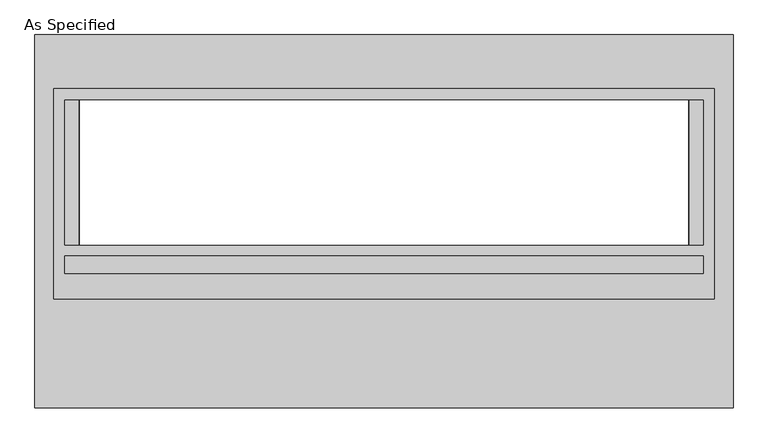
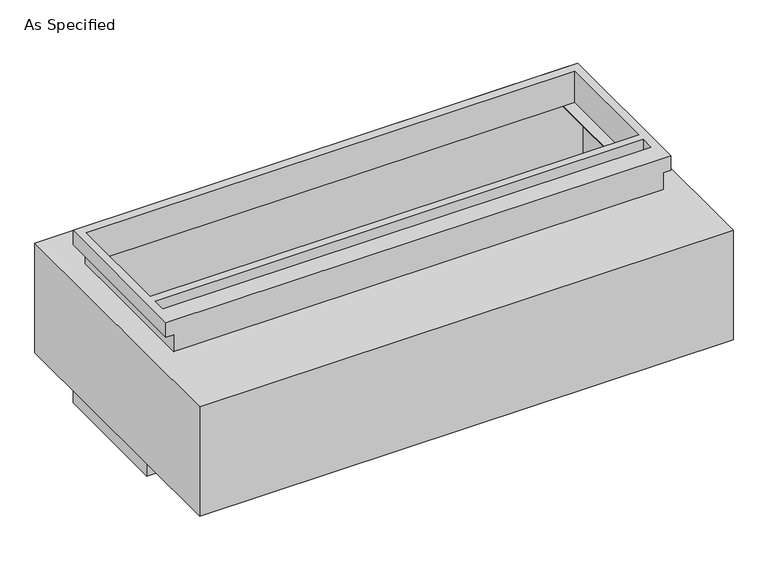
"""IFC4 building model written with IfcOpenShell, lengths in millimetres: proxy geometry, As Specified."""

from ifc_helpers import new_model, si_unit, frame, origin, place, context, project, spatial, polyline, circle_curve, faceted_brep, source, transform, mapped, element, save
from ifc_brep_helpers import plane_surface, revolved_surface, advanced_brep


def as_specified_77a2792e(model_context):
    return source(origin(), model_context, "Body", "SolidModel", [
        faceted_brep([(1155.7, 464.2941406, -682.7242188), (1155.7, -119.9058594, -682.7242188), (-1155.7, -119.9058594, -682.7242188), (-1155.7, 464.2941406, -682.7242188), (1117.6, -83.3933594, -682.7242188), (1117.6, 424.6066406, -682.7242188), (-1117.6, 424.6066406, -682.7242188), (-1117.6, -83.3933594, -682.7242188), (-1120.775, -119.9058594, -530.3242188), (1120.775, -119.9058594, -530.3242188), (1120.775, 429.3691406, -530.3242188), (-1120.775, 429.3691406, -530.3242188), (1117.6, 424.6066406, -530.3242188), (1117.6, -83.3933594, -530.3242188), (-1117.6, -83.3933594, -530.3242188), (-1117.6, 424.6066406, -530.3242188), (-1155.7, 464.2941406, -612.8742188), (1155.7, 464.2941406, -612.8742188), (-1155.7, -119.9058594, -612.8742188), (1155.7, -119.9058594, -612.8742188), (1120.775, -119.9058594, -612.8742188), (-1120.775, -119.9058594, -612.8742188), (-1120.775, 429.3691406, -612.8742188), (1120.775, 429.3691406, -612.8742188)], [[[0, 1, 2, 3], [4, 5, 6, 7]], [[8, 9, 10, 11], [12, 13, 14, 15]], [[0, 3, 16, 17]], [[3, 2, 18, 16]], [[2, 1, 19, 20, 9, 8, 21, 18]], [[1, 0, 17, 19]], [[22, 23, 20, 19, 17, 16, 18, 21]], [[23, 10, 9, 20]], [[23, 22, 11, 10]], [[11, 22, 21, 8]], [[12, 5, 4, 13]], [[13, 4, 7, 14]], [[14, 7, 6, 15]], [[5, 12, 15, 6]]]),
        advanced_brep(
        [(1221.58125, 653.3058594, -530.3242188), (1221.58125, -653.3058594, -530.3242188), (-1221.58125, -653.3058594, -530.3242188), (-1221.58125, 653.3058594, -530.3242188), (1066.8, -83.3933594, -530.3242188), (1066.8, 424.6066406, -530.3242188), (-1066.8, 424.6066406, -530.3242188), (-1066.8, -83.3933594, -530.3242188), (1221.58125, 653.3058594, 0.0), (-1221.58125, 653.3058594, 0.0), (-1221.58125, -653.3058594, 0.0), (1221.58125, -653.3058594, 0.0), (1066.8, 424.6066406, 0.0), (1066.8, -83.3933594, 0.0), (-1066.8, -83.3933594, 0.0), (-1066.8, 424.6066406, 0.0), (1221.58125, -272.3058594, -430.3117188), (1221.58125, -294.5308594, -430.3117188), (1221.58125, -170.7058594, -430.3117188), (1221.58125, -192.9308594, -430.3117188), (1221.58125, -272.3058594, -100.1117188), (1221.58125, -294.5308594, -100.1117188), (1221.58125, -170.7058594, -100.1117188), (1221.58125, -192.9308594, -100.1117188), (-1155.7, 424.6066406, -527.05), (-1155.7, -83.3933594, -527.05), (-1066.8, -83.3933594, -527.05), (-1066.8, 424.6066406, -527.05), (1155.7, -83.3933594, -527.05), (1155.7, 424.6066406, -527.05), (1066.8, 424.6066406, -527.05), (1066.8, -83.3933594, -527.05), (1155.7, 424.6066406, -3.175), (1155.7, -83.3933594, -3.175), (1066.8, -83.3933594, -3.175), (1066.8, 424.6066406, -3.175), (-1155.7, -83.3933594, -3.175), (-1155.7, 424.6066406, -3.175), (-1066.8, 424.6066406, -3.175), (-1066.8, -83.3933594, -3.175), (1205.728271, -294.5308594, -430.3117188), (1205.728271, -272.3058594, -430.3117188), (1205.728271, -192.9308594, -430.3117188), (1205.728271, -170.7058594, -430.3117188), (1205.728271, -294.5308594, -100.1117188), (1205.728271, -272.3058594, -100.1117188), (1205.728271, -192.9308594, -100.1117188), (1205.728271, -170.7058594, -100.1117188)],
        [
            (0, 1),
            (1, 2),
            (2, 3),
            (3, 0),
            (4, 5),
            (5, 6),
            (6, 7),
            (7, 4),
            (8, 9),
            (9, 10),
            (10, 11),
            (11, 8),
            (12, 13),
            (13, 14),
            (14, 15),
            (15, 12),
            (3, 9),
            (8, 0),
            (2, 10),
            (1, 11),
            (16, 17, circle_curve(frame((1221.58125, -283.4183594, -430.3117188), z_axis=(-1.0, 0.0, 0.0), x_axis=(0.0, 1.0, 0.0)), 11.1125)),
            (17, 16, circle_curve(frame((1221.58125, -283.4183594, -430.3117188), z_axis=(-1.0, 0.0, 0.0), x_axis=(0.0, 1.0, 0.0)), 11.1125)),
            (18, 19, circle_curve(frame((1221.58125, -181.8183594, -430.3117188), z_axis=(-1.0, 0.0, 0.0), x_axis=(0.0, 1.0, 0.0)), 11.1125)),
            (19, 18, circle_curve(frame((1221.58125, -181.8183594, -430.3117188), z_axis=(-1.0, 0.0, 0.0), x_axis=(0.0, 1.0, 0.0)), 11.1125)),
            (20, 21, circle_curve(frame((1221.58125, -283.4183594, -100.1117188), z_axis=(-1.0, 0.0, 0.0), x_axis=(0.0, 1.0, 0.0)), 11.1125)),
            (21, 20, circle_curve(frame((1221.58125, -283.4183594, -100.1117188), z_axis=(-1.0, 0.0, 0.0), x_axis=(0.0, 1.0, 0.0)), 11.1125)),
            (22, 23, circle_curve(frame((1221.58125, -181.8183594, -100.1117188), z_axis=(-1.0, 0.0, 0.0), x_axis=(0.0, 1.0, 0.0)), 11.1125)),
            (23, 22, circle_curve(frame((1221.58125, -181.8183594, -100.1117188), z_axis=(-1.0, 0.0, 0.0), x_axis=(0.0, 1.0, 0.0)), 11.1125)),
            (24, 25),
            (25, 26),
            (26, 27),
            (27, 24),
            (28, 29),
            (29, 30),
            (30, 31),
            (31, 28),
            (32, 33),
            (33, 34),
            (34, 35),
            (35, 32),
            (36, 37),
            (37, 38),
            (38, 39),
            (39, 36),
            (28, 33),
            (32, 29),
            (31, 4),
            (7, 26),
            (25, 36),
            (39, 14),
            (13, 34),
            (24, 37),
            (35, 12),
            (15, 38),
            (27, 6),
            (5, 30),
            (40, 41, circle_curve(frame((1205.728271, -283.4183594, -430.3117188), z_axis=(1.0, 0.0, 0.0), x_axis=(0.0, 1.0, 0.0)), 11.1125)),
            (41, 40, circle_curve(frame((1205.728271, -283.4183594, -430.3117188), z_axis=(1.0, 0.0, 0.0), x_axis=(0.0, 1.0, 0.0)), 11.1125)),
            (42, 43, circle_curve(frame((1205.728271, -181.8183594, -430.3117188), z_axis=(1.0, 0.0, 0.0), x_axis=(0.0, 1.0, 0.0)), 11.1125)),
            (43, 42, circle_curve(frame((1205.728271, -181.8183594, -430.3117188), z_axis=(1.0, 0.0, 0.0), x_axis=(0.0, 1.0, 0.0)), 11.1125)),
            (44, 45, circle_curve(frame((1205.728271, -283.4183594, -100.1117188), z_axis=(1.0, 0.0, 0.0), x_axis=(0.0, 1.0, 0.0)), 11.1125)),
            (45, 44, circle_curve(frame((1205.728271, -283.4183594, -100.1117188), z_axis=(1.0, 0.0, 0.0), x_axis=(0.0, 1.0, 0.0)), 11.1125)),
            (46, 47, circle_curve(frame((1205.728271, -181.8183594, -100.1117188), z_axis=(1.0, 0.0, 0.0), x_axis=(0.0, 1.0, 0.0)), 11.1125)),
            (47, 46, circle_curve(frame((1205.728271, -181.8183594, -100.1117188), z_axis=(1.0, 0.0, 0.0), x_axis=(0.0, 1.0, 0.0)), 11.1125)),
            (40, 17),
            (16, 41),
            (42, 19),
            (18, 43),
            (44, 21),
            (20, 45),
            (46, 23),
            (22, 47),
        ],
        [
            plane_surface(frame((-1221.58125, 653.3058594, -530.3242188), z_axis=(0.0, 0.0, -1.0), x_axis=(1.0, 0.0, 0.0))),
            plane_surface(frame((-1221.58125, 653.3058594, 0.0), z_axis=(0.0, 0.0, 1.0), x_axis=(-1.0, 0.0, 0.0))),
            plane_surface(frame((1221.58125, 653.3058594, 0.0), z_axis=(0.0, 1.0, 0.0), x_axis=(0.0, 0.0, -1.0))),
            plane_surface(frame((-1221.58125, 653.3058594, 0.0), z_axis=(-1.0, 0.0, 0.0), x_axis=(0.0, 0.0, -1.0))),
            plane_surface(frame((-1221.58125, -653.3058594, 0.0), z_axis=(0.0, -1.0, 0.0), x_axis=(0.0, 0.0, -1.0))),
            plane_surface(frame((1221.58125, -653.3058594, 0.0), z_axis=(1.0, 0.0, 0.0), x_axis=(0.0, 0.0, -1.0))),
            plane_surface(frame((1155.7, 424.6066406, -527.05), z_axis=(0.0, 0.0, 1.0), x_axis=(0.0, -1.0, 0.0))),
            plane_surface(frame((1155.7, 424.6066406, -3.175), z_axis=(0.0, 0.0, -1.0), x_axis=(0.0, 1.0, 0.0))),
            plane_surface(frame((1155.7, 424.6066406, -527.05), z_axis=(-1.0, 0.0, 0.0), x_axis=(0.0, 0.0, 1.0))),
            plane_surface(frame((1155.7, -83.3933594, -527.05), z_axis=(0.0, 1.0, 0.0), x_axis=(0.0, 0.0, 1.0))),
            plane_surface(frame((-1155.7, -83.3933594, -527.05), z_axis=(1.0, 0.0, 0.0), x_axis=(0.0, 0.0, 1.0))),
            plane_surface(frame((-1155.7, 424.6066406, -527.05), z_axis=(0.0, -1.0, 0.0), x_axis=(0.0, 0.0, 1.0))),
            plane_surface(frame((1066.8, 424.6066406, -25.4), z_axis=(-1.0, 0.0, 0.0), x_axis=(0.0, 0.0, 1.0))),
            plane_surface(frame((-1066.8, -83.3933594, -25.4), z_axis=(1.0, 0.0, 0.0), x_axis=(0.0, 0.0, 1.0))),
            plane_surface(frame((1205.728271, -272.3058594, -430.3117188), z_axis=(1.0, 0.0, 0.0), x_axis=(0.0, 0.0, -1.0))),
            revolved_surface(polyline([(1221.58125, -272.3058594, -430.3117188), (1205.728271, -272.3058594, -430.3117188)]), (1205.728271, -283.4183594, -430.3117188), (1.0, 0.0, 0.0)),
            revolved_surface(polyline([(1221.58125, -170.70585939999998, -430.3117188), (1205.728271, -170.70585939999998, -430.3117188)]), (0.0, -181.8183594, -430.3117188), (1.0, 0.0, 0.0)),
            revolved_surface(polyline([(1221.58125, -272.3058594, -100.1117188), (1205.728271, -272.3058594, -100.1117188)]), (0.0, -283.4183594, -100.1117188), (1.0, 0.0, 0.0)),
            revolved_surface(polyline([(1221.58125, -170.70585939999998, -100.1117188), (1205.728271, -170.70585939999998, -100.1117188)]), (0.0, -181.8183594, -100.1117188), (1.0, 0.0, 0.0)),
            plane_surface(frame((1066.8, -83.3933594, -504.9242188), z_axis=(-1.0, 0.0, 0.0), x_axis=(0.0, 0.0, -1.0))),
            plane_surface(frame((-1066.8, 424.6066406, -504.9242188), z_axis=(1.0, 0.0, 0.0), x_axis=(0.0, 0.0, -1.0))),
        ],
        [
            (0, [[1, 2, 3, 4], [5, 6, 7, 8]]),
            (1, [[9, 10, 11, 12], [13, 14, 15, 16]]),
            (2, [[-4, 17, -9, 18]]),
            (3, [[-3, 19, -10, -17]]),
            (4, [[-2, 20, -11, -19]]),
            (5, [[-1, -18, -12, -20], [21, 22], [23, 24], [25, 26], [27, 28]]),
            (6, [[29, 30, 31, 32]]),
            (6, [[33, 34, 35, 36]]),
            (7, [[37, 38, 39, 40]]),
            (7, [[41, 42, 43, 44]]),
            (8, [[-33, 45, -37, 46]]),
            (9, [[-45, -36, 47, -8, 48, -30, 49, -44, 50, -14, 51, -38]]),
            (10, [[-29, 52, -41, -49]]),
            (11, [[-46, -40, 53, -16, 54, -42, -52, -32, 55, -6, 56, -34]]),
            (12, [[-53, -39, -51, -13]]),
            (13, [[-50, -43, -54, -15]]),
            (14, [[57, 58]]),
            (14, [[59, 60]]),
            (14, [[61, 62]]),
            (14, [[63, 64]]),
            (15, [[-57, 65, -21, 66]]),
            (15, [[-58, -66, -22, -65]]),
            (16, [[-59, 67, -23, 68]]),
            (16, [[-60, -68, -24, -67]]),
            (17, [[-61, 69, -25, 70]]),
            (17, [[-62, -70, -26, -69]]),
            (18, [[-63, 71, -27, 72]]),
            (18, [[-64, -72, -28, -71]]),
            (19, [[-47, -35, -56, -5]]),
            (20, [[-48, -7, -55, -31]]),
        ],
    ),
        faceted_brep([(1155.7, 464.2941406, 152.4), (-1155.7, 464.2941406, 152.4), (-1155.7, -272.3058594, 152.4), (1155.7, -272.3058594, 152.4), (1117.6, 424.6066406, 152.4), (1117.6, -83.3933594, 152.4), (-1117.6, -83.3933594, 152.4), (-1117.6, 424.6066406, 152.4), (1117.6, -121.4933594, 152.4), (1117.6, -181.8183594, 152.4), (-1117.6, -181.8183594, 152.4), (-1117.6, -121.4933594, 152.4), (1120.775, -272.3058594, 0.0), (-1120.775, -272.3058594, 0.0), (-1120.775, 429.3691406, 0.0), (1120.775, 429.3691406, 0.0), (1117.6, -83.3933594, 0.0), (1117.6, 424.6066406, 0.0), (-1117.6, 424.6066406, 0.0), (-1117.6, -83.3933594, 0.0), (1155.7, 464.2941406, 82.55), (-1155.7, 464.2941406, 82.55), (-1155.7, -272.3058594, 82.55), (-1120.775, -272.3058594, 82.55), (1120.775, -272.3058594, 82.55), (1155.7, -272.3058594, 82.55), (1120.775, 429.3691406, 82.55), (-1120.775, 429.3691406, 82.55), (1117.6, -121.4933594, 82.55), (-1117.6, -121.4933594, 82.55), (-1117.6, -181.8183594, 82.55), (1117.6, -181.8183594, 82.55)], [[[0, 1, 2, 3], [4, 5, 6, 7], [8, 9, 10, 11]], [[12, 13, 14, 15], [16, 17, 18, 19]], [[1, 0, 20, 21]], [[2, 1, 21, 22]], [[3, 2, 22, 23, 13, 12, 24, 25]], [[0, 3, 25, 20]], [[24, 26, 27, 23, 22, 21, 20, 25]], [[26, 24, 12, 15]], [[27, 26, 15, 14]], [[23, 27, 14, 13]], [[16, 5, 4, 17]], [[5, 16, 19, 6]], [[6, 19, 18, 7]], [[17, 4, 7, 18]], [[28, 29, 30, 31]], [[28, 31, 9, 8]], [[31, 30, 10, 9]], [[30, 29, 11, 10]], [[29, 28, 8, 11]]]),
    ])


if __name__ == "__main__":
    model = new_model("IFC4")
    model_context = context("Model", 3, world=origin())
    ifc_project = project(units=[si_unit("LENGTHUNIT", "METRE", prefix="MILLI")], contexts=[model_context])
    site = spatial("IfcSite", under=ifc_project)
    building = spatial("IfcBuilding", under=site)
    placement = place(None, origin())
    as_specified_shape = as_specified_77a2792e(model_context)
    element("IfcBuildingElementProxy", 1, Name="As Specified", ObjectType="As Specified", at=placement, inside=building, context=model_context, shape_type="MappedRepresentation", body=[
        mapped(as_specified_shape, transform((0.0, 0.0, 0.0), x_axis=(1.0, 0.0, 0.0), y_axis=(0.0, 1.0, 0.0), z_axis=(0.0, 0.0, 1.0))),
    ])
    save(model, "model.ifc")
